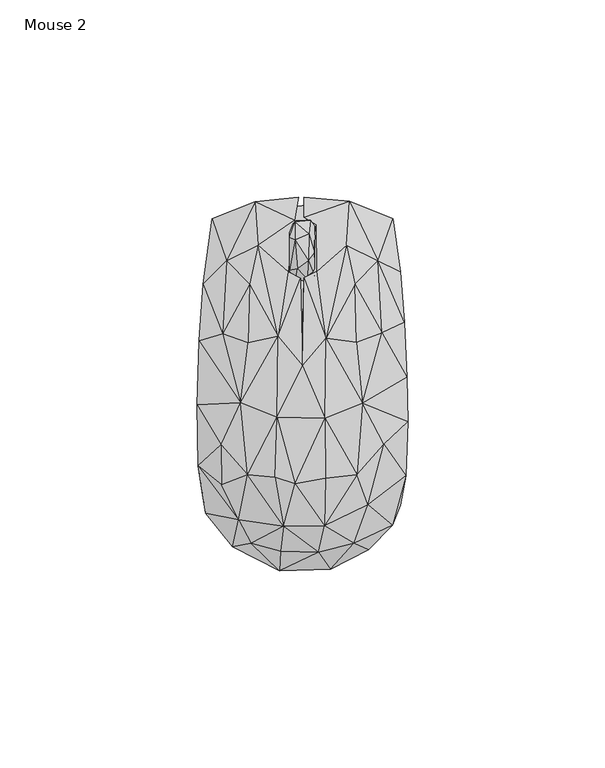
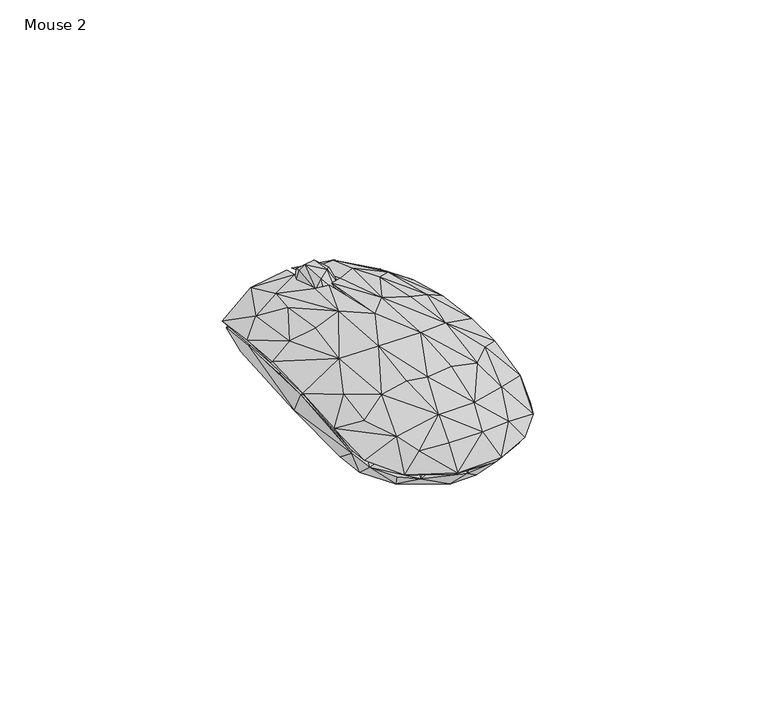
"""IFC4 building model written with IfcOpenShell, lengths in millimetres: furniture geometry, Mouse 2."""

from ifc_helpers import new_model, si_unit, origin, place, context, project, spatial, triangles, source, transform, mapped, element, save


def mouse_2_95d2e66d(model_context):
    return source(origin(), model_context, "Body", "Tessellation", [
        triangles([(-1.7870618, 25.5556985, 15.0905907), (1.4279082, 26.2556989, 17.1901639), (-1.2795769, 29.2699885, 20.2893071), (-3.1870619, 28.7699872, 18.0897343), (2.0353927, 41.5199947, 14.9905912), (-1.7870627, 41.1199964, 16.5901631), (1.7353928, 38.1057091, 19.6893074), (3.1353933, 27.4628427, 17.4901638), (1.5279081, 31.2771266, 21.0893059), (3.1353933, 33.2842761, 20.0893079), (-3.1870625, 37.2057073, 18.8897343), (-1.8870623, 36.5985587, 20.4893062), (1.5279082, 29.1699855, 6.1931613), (3.2353931, 31.9842782, 6.2931615), (3.0353937, 27.1628428, 9.1923049), (-1.6870619, 26.455698, 8.992304), (-1.687062, 31.4771303, 5.2931618), (-0.0795772, 35.0985594, 5.0931615), (-3.087062, 33.6914164, 6.1931613), (2.2353928, 37.705704, 6.3931616), (3.2353928, 39.919997, 12.4914477), (-3.1870619, 26.8556986, 10.3918768), (-3.0870626, 40.0199955, 11.4914475), (-1.6870626, 39.21285, 7.4927334), (1.9353927, 41.1199964, 10.091877), (-1.5870628, 41.4199963, 11.7914485), (2.0353937, 25.4556978, 12.9914479)], [[1, 2, 3], [1, 3, 4], [5, 6, 7], [2, 8, 9], [2, 9, 3], [8, 10, 9], [6, 11, 12], [6, 12, 7], [4, 12, 11], [4, 3, 12], [3, 9, 12], [9, 7, 12], [9, 10, 7], [13, 14, 15], [13, 16, 17], [13, 17, 18], [13, 18, 14], [13, 15, 16], [17, 19, 18], [17, 16, 19], [14, 18, 20], [14, 20, 21], [14, 21, 10], [14, 10, 15], [19, 16, 22], [19, 23, 24], [19, 24, 18], [19, 22, 4], [19, 4, 23], [18, 24, 20], [20, 25, 21], [20, 24, 25], [24, 23, 26], [24, 26, 25], [16, 15, 27], [16, 27, 1], [16, 1, 22], [15, 8, 27], [15, 10, 8], [22, 1, 4], [25, 26, 5], [25, 5, 21], [27, 8, 2], [27, 2, 1], [23, 4, 11], [23, 11, 6], [23, 6, 26], [26, 6, 5], [21, 5, 7], [21, 7, 10]]),
        triangles([(-11.1957862, 35.19296, 15.7576683), (-6.152771, 12.0434873, 22.6493329), (-3.6527723, 28.4764686, 18.7493336), (-2.0097596, 41.5259446, 14.4576693), (11.1762675, 35.19296, 15.7576683), (3.6332536, 40.4094521, 14.55767), (3.7332546, 28.5764716, 19.3493345), (6.0332556, 11.6269963, 22.7493336), (-4.7527688, -36.0049335, 19.4493352), (5.6332584, -35.9049328, 19.3493345), (-1.8097558, -25.2719494, 23.3493333), (-6.9527693, -23.6719517, 22.949335), (-13.8957827, -22.9554597, 20.8493338), (5.8332576, -23.8719509, 23.0493335), (13.8762708, -22.9554597, 20.8493338), (-6.3527702, -8.4224771, 24.3493336), (5.7332569, -8.6224769, 24.4493343), (3.5332577, -25.7719507, 21.6493349), (-5.7527693, -23.4554587, 21.849334), (4.6332573, -15.1389674, 23.0493335), (13.7762701, -22.6554599, 19.6493343), (-15.6387983, -4.7059869, 21.5493319), (-13.7957831, -22.6554599, 19.6493343), (-6.0527703, -8.3224776, 23.1493342), (-13.8957838, -5.7059869, 21.0493329), (13.8762697, -5.605985, 21.0493329), (15.2192813, -4.9059846, 21.7493333), (-0.1097576, 6.1269965, 22.7493336), (6.0332561, -1.3059853, 23.0493335), (0.0902426, 4.6105053, 24.1493345), (-6.152771, 11.5269967, 21.4493335), (-13.7957842, 10.4269957, 21.0493329), (-15.0387986, 9.6269957, 19.3493345), (5.9332549, 16.0434884, 20.7493353), (15.5192801, 11.1269984, 18.9493339), (13.7762678, 10.5269976, 21.0493329), (0.3902413, 26.8764709, 19.9493342), (-0.4097587, 26.7764702, 19.6493343), (-6.1527676, -46.2214247, 7.5660052), (-17.7387951, -41.3049325, 8.5660049), (-10.6957816, -40.104933, 13.066005), (0.190245, -42.7214249, 13.3576705), (5.4332587, -46.4214216, 7.4660045), (-5.7527682, -47.3214257, 8.5660049), (7.1332588, -46.9214229, 8.5660049), (4.1332586, -42.6214219, 14.9576694), (-5.5527685, -42.421425, 14.8576698), (-12.995782, -40.3049345, 13.6576693), (12.8762716, -39.5049333, 12.5660049), (16.8192836, -42.0214222, 8.4660053), (5.7332586, -41.104931, 14.257669), (13.0762719, -40.3049345, 13.6576693), (15.9192829, -33.7884422, 14.6576695), (24.8622997, -30.6884407, 9.4660045), (22.8622991, -35.8049343, 9.7660055), (-16.1387962, -34.3884419, 15.6576687), (-24.4818087, -32.7884397, 10.2660056), (-25.3818083, -27.2719523, 10.5660043), (-15.8387963, -33.7884422, 14.55767), (-5.5527685, -35.3884399, 18.1576682), (4.733258, -35.3884399, 18.2576701), (16.6192822, -30.58844, 17.1576702), (26.2622982, -23.2554573, 12.8660047), (-26.3818086, -20.75546, 13.4576701), (20.1192843, -25.67195, 15.5576691), (-26.6818107, -5.3059874, 14.9576694), (-20.438796, -23.3554626, 15.8576701), (26.5622958, 1.7105068, 15.0576701), (26.762295, -9.6224754, 15.0576701), (20.4192819, -14.438967, 17.5576697), (20.7192795, -15.2389681, 18.6576695), (-25.1818137, 25.2764663, 12.266005), (-26.1818117, 11.0269943, 14.6576695), (-20.2387992, 12.7434866, 17.8576684), (-19.2387989, 31.1929588, 14.0576698), (-22.8818133, 41.8259444, 7.3660049), (-25.7818111, 12.7434866, 13.1576691), (24.8622951, 28.4764709, 11.466005), (25.9622961, 15.643489, 13.9576703), (22.9622953, 41.8259444, 7.3660049), (19.2192802, 31.1929611, 14.0576698), (20.619281, -1.5059846, 17.8576684), (19.0192799, 30.1929631, 13.0576695), (-11.9957874, 46.2259439, 11.166004), (-15.7387979, 44.2259433, 9.2660047), (-19.5387987, 22.3599769, 14.9576694), (-1.00976, 47.3259449, 11.9660052), (-11.2957858, 34.7929594, 14.55767), (-13.1957845, 24.8764703, 16.95767), (0.49024, 47.3259449, 12.0660047), (0.4902403, 42.3259457, 14.1576694), (11.9762675, 46.3259423, 11.166004), (11.576267, 45.5259412, 10.2660056), (11.3762678, 34.7929594, 14.55767), (-20.438796, -25.5719516, 16.7576685), (-20.6387975, -15.4389695, 18.6576695), (-20.781812, -6.8224783, 17.8576684), (20.2192805, 13.0434887, 17.8576684), (-13.3957859, 25.2764686, 18.1576682), (13.3762672, 25.2764686, 18.1576682), (0.8902412, 26.476468, 18.7576691), (13.2762688, 24.8764703, 16.95767), (-3.7388581, -39.9733413, 0.003408), (3.9916276, -39.7733399, 0.003408), (-2.138858, -45.7733416, 6.3030804), (-13.6998303, -42.3733447, 6.6030796), (-15.5998313, -33.0558834, 0.003408), (15.6525988, -33.0558834, 0.003408), (7.0221141, -44.973345, 6.4030799), (-20.9303154, -24.0209652, 0.003408), (20.8830844, -24.1209614, 0.003408), (-23.2303158, -33.0558834, 7.8030802), (-18.7998302, -38.9558843, 6.9030801), (15.6525988, -41.2733392, 6.7030804), (23.5830854, -32.5384209, 7.9030804), (-21.9303179, -15.9035044, 0.203408), (-21.6303181, 7.6663374, 0.003408), (-25.1303156, -27.4384233, 9.3030801), (21.9830854, -20.2209587, 0.603408), (21.4830841, 9.3663399, 0.003408), (25.4830853, -24.6209604, 10.1030806), (-26.1303182, -3.3685838, 13.102751), (-24.330319, 26.218719, 9.8030796), (-20.3303202, 36.9361789, 0.003408), (7.2221092, 38.3361774, 0.003408), (20.3830831, 36.9361789, 0.003408), (22.2830807, 40.8536382, 5.6034081), (24.2830813, 27.2187238, 9.6030794), (25.483083, 12.3663407, 12.1027519), (-22.2303223, 40.9536412, 5.6034081), (-5.5388624, 38.4361759, 0.003408), (-10.5693494, 44.8536394, 9.2030799), (7.0221095, 45.4536391, 9.8030796), (17.1525958, 43.1536387, 7.6030799), (-18.699834, 30.1187216, 11.9027516), (18.7525958, 30.1187239, 11.9027516), (-3.2388583, -41.9733419, 11.7027513), (-5.8388588, -37.3558844, 15.4027515), (-13.0693444, -35.3558838, 13.9027522), (5.2916277, -41.5733436, 11.802752), (19.1525987, -33.6558808, 10.9030795), (13.0525997, -35.3558838, 13.9027522), (-20.3303179, -22.8209635, 14.6027515), (19.9830849, -22.2209592, 15.002752), (-26.0303198, -14.8035034, 12.3027522), (26.0830827, -11.9860394, 12.602752), (-25.7303199, 8.266336, 12.602752), (-19.7303182, 12.6663383, 15.6027517), (-8.8693481, 36.2361784, 13.2027506), (0.8916236, 34.5361755, 14.9027513), (12.8221098, 29.7187211, 14.3027516), (6.2916235, 33.1361769, 14.9027513), (1.6916275, -35.7558844, 17.0024244), (6.7221136, -33.7558838, 17.2024236), (-6.2388594, -29.2384224, 19.002425), (-13.4998312, -26.2209626, 17.6024253), (13.5525998, -26.2209626, 17.6024253), (-20.2303195, -9.8860426, 16.80275), (-13.6998326, -14.3035022, 19.6024259), (20.5830846, -5.7685818, 16.7027527), (13.7525978, -14.303501, 19.6024259), (-16.1998333, -0.8685835, 18.6024256), (19.8830841, 9.5663401, 16.0027523), (13.7525978, -2.168582, 19.802425), (-13.0693478, 24.60126, 15.802752), (-13.4998335, 10.1663376, 18.6024256), (13.5525964, 10.1663399, 18.6024256), (-6.1388621, 24.3012601, 17.5024257), (6.7221108, 16.3837974, 19.3024237), (1.6916246, 15.1837968, 20.0024242), (1.6916269, -24.6209626, 20.802423), (6.9221128, -22.9209619, 20.5024232), (-6.2388594, -17.6035017, 21.402425), (6.4916255, -12.0860412, 21.8024256), (1.1916259, -8.8860412, 22.4024253), (-6.0388597, -5.4685831, 22.0024247), (6.9221117, -0.6685821, 21.5024234), (1.6916252, 4.2488799, 21.7024226), (-6.138861, 7.666338, 20.802423)], [[1, 2, 3], [1, 3, 4], [5, 6, 7], [5, 7, 8], [9, 10, 11], [9, 12, 13], [9, 11, 12], [10, 14, 11], [10, 15, 14], [12, 11, 16], [12, 16, 13], [11, 14, 17], [11, 17, 16], [18, 19, 20], [18, 20, 21], [14, 15, 17], [13, 16, 22], [23, 24, 19], [23, 25, 24], [19, 24, 20], [21, 20, 26], [15, 27, 17], [20, 24, 28], [20, 29, 26], [20, 28, 29], [16, 17, 30], [16, 30, 2], [16, 2, 22], [24, 25, 31], [24, 31, 28], [17, 27, 8], [17, 8, 30], [22, 2, 32], [25, 33, 31], [29, 28, 34], [29, 35, 26], [29, 34, 35], [27, 36, 8], [30, 8, 37], [30, 38, 2], [30, 28, 38], [30, 37, 28], [31, 3, 38], [31, 38, 28], [8, 7, 37], [2, 38, 3], [39, 40, 41], [39, 41, 42], [39, 42, 43], [39, 44, 40], [39, 43, 44], [44, 45, 46], [44, 47, 48], [44, 46, 47], [44, 48, 40], [44, 43, 45], [43, 49, 50], [43, 42, 51], [43, 51, 49], [43, 50, 45], [45, 50, 52], [45, 52, 46], [50, 49, 53], [50, 53, 54], [50, 54, 55], [50, 55, 52], [40, 48, 56], [40, 56, 57], [40, 58, 59], [40, 59, 41], [40, 57, 58], [41, 59, 60], [41, 60, 42], [49, 51, 61], [49, 61, 53], [55, 62, 52], [55, 63, 62], [55, 54, 63], [57, 56, 64], [57, 64, 58], [54, 53, 65], [54, 65, 63], [58, 64, 66], [58, 67, 59], [58, 66, 67], [63, 68, 69], [63, 65, 70], [63, 70, 68], [63, 71, 62], [63, 69, 71], [72, 73, 74], [72, 74, 75], [72, 75, 76], [72, 76, 77], [72, 77, 73], [78, 79, 68], [78, 80, 81], [78, 81, 79], [78, 82, 35], [78, 68, 82], [78, 83, 80], [78, 35, 83], [76, 84, 85], [76, 75, 84], [76, 85, 86], [76, 86, 77], [85, 84, 87], [85, 87, 88], [85, 89, 86], [85, 88, 89], [84, 75, 1], [84, 1, 4], [84, 4, 87], [87, 4, 88], [90, 91, 92], [90, 93, 91], [90, 92, 93], [93, 80, 83], [93, 94, 6], [93, 83, 94], [93, 6, 91], [93, 92, 80], [92, 5, 81], [92, 81, 80], [92, 6, 5], [92, 91, 6], [47, 9, 48], [47, 46, 9], [42, 60, 61], [42, 61, 51], [46, 52, 10], [46, 10, 9], [48, 9, 56], [52, 62, 10], [56, 9, 13], [56, 13, 95], [56, 95, 64], [59, 67, 23], [59, 23, 60], [60, 18, 61], [60, 23, 19], [60, 19, 18], [61, 18, 21], [61, 21, 53], [53, 21, 65], [62, 71, 15], [62, 15, 10], [95, 96, 64], [95, 13, 96], [65, 21, 70], [64, 96, 66], [67, 97, 23], [67, 66, 97], [96, 13, 22], [96, 22, 66], [70, 82, 68], [70, 21, 26], [70, 26, 82], [71, 69, 27], [71, 27, 15], [97, 66, 77], [97, 77, 33], [97, 25, 23], [97, 33, 25], [69, 68, 27], [66, 73, 77], [66, 22, 73], [82, 26, 35], [68, 98, 27], [68, 79, 98], [73, 22, 74], [77, 86, 33], [74, 99, 75], [74, 22, 32], [74, 32, 99], [98, 79, 81], [98, 100, 36], [98, 81, 100], [98, 36, 27], [86, 89, 33], [99, 1, 75], [99, 32, 2], [99, 2, 1], [89, 88, 31], [89, 31, 33], [101, 37, 7], [101, 94, 34], [101, 6, 94], [101, 34, 28], [101, 28, 37], [101, 7, 6], [102, 94, 83], [102, 83, 35], [102, 35, 34], [102, 34, 94], [100, 5, 8], [100, 81, 5], [100, 8, 36], [88, 4, 3], [88, 3, 31], [103, 104, 105], [103, 105, 106], [103, 107, 104], [103, 106, 107], [104, 107, 108], [104, 109, 105], [104, 108, 109], [107, 110, 111], [107, 111, 108], [107, 112, 110], [107, 113, 112], [107, 106, 113], [108, 114, 109], [108, 111, 115], [108, 115, 114], [110, 116, 117], [110, 117, 111], [110, 112, 118], [110, 118, 116], [111, 119, 115], [111, 117, 120], [111, 120, 119], [119, 120, 121], [119, 121, 115], [116, 118, 117], [117, 118, 122], [117, 123, 124], [117, 122, 123], [117, 124, 120], [120, 124, 125], [120, 125, 126], [120, 126, 127], [120, 127, 128], [120, 128, 129], [120, 129, 121], [124, 130, 131], [124, 131, 125], [124, 123, 130], [131, 130, 132], [131, 132, 125], [125, 132, 133], [125, 133, 134], [125, 134, 126], [126, 134, 127], [130, 123, 135], [130, 135, 132], [127, 134, 136], [127, 136, 128], [106, 137, 138], [106, 112, 113], [106, 105, 137], [106, 139, 112], [106, 138, 139], [105, 109, 140], [105, 140, 137], [109, 114, 140], [114, 141, 142], [114, 115, 141], [114, 142, 140], [112, 139, 143], [112, 143, 118], [141, 115, 121], [141, 121, 144], [141, 144, 142], [118, 145, 122], [118, 143, 145], [121, 129, 146], [121, 146, 144], [123, 147, 148], [123, 148, 135], [123, 122, 147], [128, 136, 129], [132, 135, 149], [132, 149, 150], [132, 150, 133], [133, 151, 134], [133, 150, 152], [133, 152, 151], [134, 151, 136], [137, 140, 153], [137, 153, 138], [140, 142, 154], [140, 154, 153], [139, 138, 155], [139, 155, 156], [139, 156, 143], [138, 153, 155], [142, 144, 157], [142, 157, 154], [143, 158, 145], [143, 156, 159], [143, 159, 158], [144, 146, 160], [144, 160, 161], [144, 161, 157], [145, 158, 122], [158, 159, 162], [158, 162, 122], [146, 129, 160], [122, 162, 147], [160, 163, 164], [160, 129, 163], [160, 164, 161], [147, 162, 148], [148, 165, 135], [148, 162, 166], [148, 166, 165], [163, 129, 136], [163, 151, 167], [163, 136, 151], [163, 167, 164], [165, 149, 135], [165, 166, 168], [165, 168, 149], [151, 152, 169], [151, 169, 167], [149, 168, 150], [150, 170, 152], [150, 168, 170], [152, 170, 169], [153, 154, 171], [153, 171, 155], [154, 172, 171], [154, 157, 172], [155, 171, 173], [155, 173, 156], [156, 173, 159], [171, 172, 174], [171, 175, 173], [171, 174, 175], [172, 157, 161], [172, 161, 174], [159, 173, 176], [159, 176, 162], [173, 175, 176], [161, 177, 174], [161, 164, 177], [175, 174, 177], [175, 177, 178], [175, 178, 176], [162, 176, 179], [162, 179, 166], [176, 178, 179], [177, 164, 167], [177, 167, 169], [177, 170, 178], [177, 169, 170], [178, 170, 179], [166, 179, 168], [179, 170, 168]]),
    ])


if __name__ == "__main__":
    model = new_model("IFC4")
    model_context = context("Model", 3, world=origin())
    ifc_project = project(units=[si_unit("LENGTHUNIT", "METRE", prefix="MILLI")], contexts=[model_context])
    site = spatial("IfcSite", under=ifc_project)
    building = spatial("IfcBuilding", under=site)
    placement = place(None, origin())
    mouse_2_shape = mouse_2_95d2e66d(model_context)
    element("IfcFurniture", 1, ObjectType="Mouse 2", at=placement, inside=building, context=model_context, shape_type="MappedRepresentation", body=[
        mapped(mouse_2_shape, transform((0.0, 0.0, 0.0), x_axis=(1.0, 0.0, 0.0), y_axis=(0.0, 1.0, 0.0), z_axis=(0.0, 0.0, 1.0))),
    ])
    save(model, "model.ifc")
